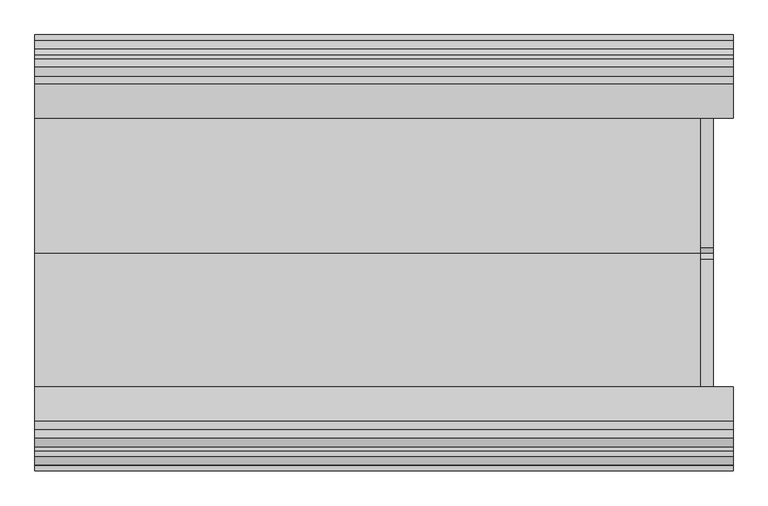
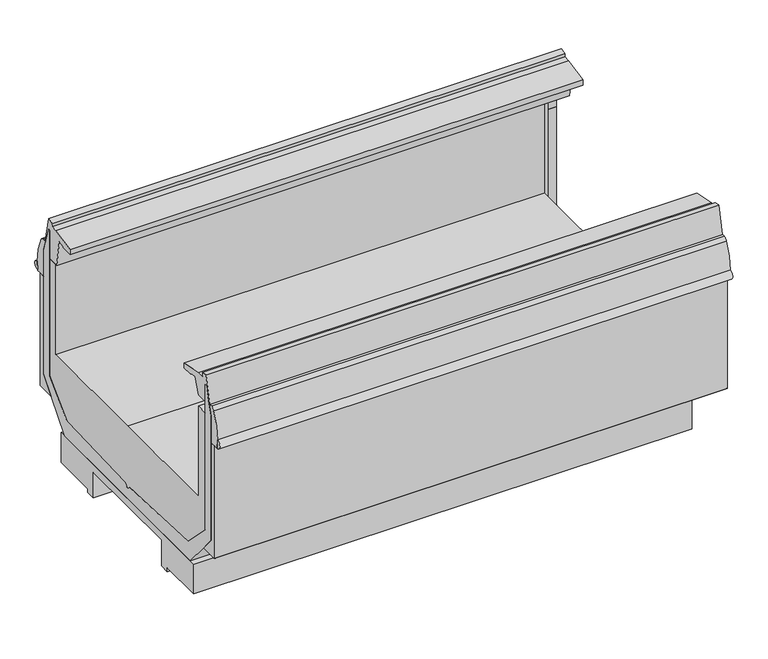
"""IFC4 building model written with IfcOpenShell, lengths in millimetres: proxy geometry."""

from ifc_helpers import new_model, si_unit, point, frame, frame_2d, origin, origin_with_axes, place, context, project, spatial, polyline, circle_curve, trimmed, segment, composite_curve, outline, extrude, source, transform, mapped, element, save
from ifc_brep_helpers import plane_surface, revolved_surface, advanced_brep


def mechanical_equipment_6be76f44(model_context):
    return source(origin(), model_context, "Body", "SolidModel", [
        extrude(outline(composite_curve([segment(trimmed(circle_curve(frame_2d((914.4, -1281.6322635)), 19.05), [point((895.35, -1281.6322635))], [point((933.45, -1281.6322635))], False, "CARTESIAN"), True, "CONTINUOUS"), segment(trimmed(circle_curve(frame_2d((914.4, -1281.6322635)), 19.05), [point((933.45, -1281.6322635))], [point((895.35, -1281.6322635))], False, "CARTESIAN"), True, "CONTINUOUS")], self_intersect=False)), origin_with_axes(), (0.0, 0.0, 1.0), 127.0),
        extrude(outline(composite_curve([segment(trimmed(circle_curve(frame_2d((1676.4, -1164.9510135)), 11.1125), [point((1665.2875, -1164.9510135))], [point((1687.5125, -1164.9510135))], False, "CARTESIAN"), True, "CONTINUOUS"), segment(trimmed(circle_curve(frame_2d((1676.4, -1164.9510135)), 11.1125), [point((1687.5125, -1164.9510135))], [point((1665.2875, -1164.9510135))], False, "CARTESIAN"), True, "CONTINUOUS")], self_intersect=False)), origin_with_axes(), (0.0, 0.0, 1.0), 127.0),
        extrude(outline(composite_curve([segment(trimmed(circle_curve(frame_2d((1651.0, -1164.9510135)), 4.7625), [point((1646.2375, -1164.9510135))], [point((1655.7625, -1164.9510135))], False, "CARTESIAN"), True, "CONTINUOUS"), segment(trimmed(circle_curve(frame_2d((1651.0, -1164.9510135)), 4.7625), [point((1655.7625, -1164.9510135))], [point((1646.2375, -1164.9510135))], False, "CARTESIAN"), True, "CONTINUOUS")], self_intersect=False)), origin_with_axes(), (0.0, 0.0, 1.0), 127.0),
        extrude(outline(polyline([(-1408.0824708, 846.9650015), (-1399.567809, 846.9650015), (-1399.567809, 298.2301562), (-1293.5698661, 190.5), (-935.3372007, 177.5337806), (-920.5071273, 163.4842373), (-905.6770539, 177.5337806), (-547.4443885, 190.5), (-441.4464456, 298.2301562), (-441.4464456, 846.9650015), (-432.9317838, 846.9650015), (-414.7836621, 789.5616491), (-403.0848407, 752.5577332), (-403.0848407, 282.2978872), (-449.8127732, 226.1000374), (-532.2134322, 127.0), (-1308.8008224, 127.0), (-1391.2014814, 226.1000374), (-1437.9294139, 282.2978872), (-1437.9294139, 752.5577332), (-1426.2305925, 789.5616491), (-1408.0824708, 846.9650015)])), frame((0.0, 0.0, 0.0), z_axis=(1.0, 0.0, 0.0), x_axis=(0.0, 1.0, 0.0)), (0.0, 0.0, 1.0), 1776.2530658),
        advanced_brep(
        [(1776.2530658, -674.1127687, 14.2875), (1776.2530658, -511.3940187, 14.2875), (1776.2530658, -511.3940187, 127.0), (1776.2530658, -1329.6202359, 127.0), (1776.2530658, -1329.6202359, 14.2875), (1776.2530658, -1166.9014859, 14.2875), (1776.2530658, -1166.9014859, 0.0), (1776.2530658, -1131.4595591, 0.0), (1776.2530658, -1131.4595591, 97.6237021), (1776.2530658, -709.5546955, 97.6237021), (1776.2530658, -709.5546955, 0.0), (1776.2530658, -674.1127687, 0.0), (0.0, -674.1127687, 14.2875), (0.0, -674.1127687, 0.0), (0.0, -709.5546955, 0.0), (0.0, -709.5546955, 97.6237021), (0.0, -1131.4595591, 97.6237021), (0.0, -1131.4595591, 0.0), (0.0, -1166.9014859, 0.0), (0.0, -1166.9014859, 14.2875), (0.0, -1329.6202359, 14.2875), (0.0, -1329.6202359, 127.0), (0.0, -511.3940187, 127.0), (0.0, -511.3940187, 14.2875), (1695.45, -1164.9821273, 127.0), (1631.95, -1164.9821273, 127.0), (939.8, -1281.6322635, 127.0), (889.0, -1281.6322635, 127.0), (103.4796338, -1271.1776769, 127.0), (287.6296338, -1271.1776769, 127.0), (287.6296338, -1312.95589, 127.0), (103.4796338, -1312.95589, 127.0), (1632.0080679, -1166.9014859, 14.2875), (1695.3919321, -1166.9014859, 14.2875), (889.0, -1281.6322635, 14.2875), (939.8, -1281.6322635, 14.2875), (287.6296338, -1271.1776769, 14.2875), (103.4796338, -1271.1776769, 14.2875), (103.4796338, -1312.95589, 14.2875), (287.6296338, -1312.95589, 14.2875), (1695.3919321, -1166.9014859, 0.0), (1632.0080679, -1166.9014859, 0.0), (1695.45, -1164.9821273, 0.0), (1631.95, -1164.9821273, 0.0)],
        [
            (0, 1),
            (1, 2),
            (2, 3),
            (3, 4),
            (4, 5),
            (5, 6),
            (6, 7),
            (7, 8),
            (8, 9),
            (9, 10),
            (10, 11),
            (11, 0),
            (12, 13),
            (13, 14),
            (14, 15),
            (15, 16),
            (16, 17),
            (17, 18),
            (18, 19),
            (19, 20),
            (20, 21),
            (21, 22),
            (22, 23),
            (23, 12),
            (0, 12),
            (23, 1),
            (22, 2),
            (21, 3),
            (24, 25, circle_curve(frame((1663.7, -1164.9821273, 127.0), z_axis=(0.0, 0.0, -1.0), x_axis=(1.0, 0.0, 0.0)), 31.75)),
            (25, 24, circle_curve(frame((1663.7, -1164.9821273, 127.0), z_axis=(0.0, 0.0, -1.0), x_axis=(1.0, 0.0, 0.0)), 31.75)),
            (26, 27, circle_curve(frame((914.4, -1281.6322635, 127.0), z_axis=(0.0, 0.0, -1.0), x_axis=(1.0, 0.0, 0.0)), 25.4)),
            (27, 26, circle_curve(frame((914.4, -1281.6322635, 127.0), z_axis=(0.0, 0.0, -1.0), x_axis=(1.0, 0.0, 0.0)), 25.4)),
            (28, 29),
            (29, 30),
            (30, 31),
            (31, 28),
            (20, 4),
            (19, 32),
            (32, 33, circle_curve(frame((1663.7, -1164.9821273, 14.2875), z_axis=(0.0, 0.0, 1.0), x_axis=(1.0, 0.0, 0.0)), 31.75)),
            (33, 5),
            (34, 35, circle_curve(frame((914.4, -1281.6322635, 14.2875), z_axis=(0.0, 0.0, 1.0), x_axis=(1.0, 0.0, 0.0)), 25.4)),
            (35, 34, circle_curve(frame((914.4, -1281.6322635, 14.2875), z_axis=(0.0, 0.0, 1.0), x_axis=(1.0, 0.0, 0.0)), 25.4)),
            (36, 37),
            (37, 38),
            (38, 39),
            (39, 36),
            (33, 40),
            (40, 6),
            (18, 41),
            (41, 32),
            (40, 42, circle_curve(frame((1663.7, -1164.9821273, 0.0), z_axis=(0.0, 0.0, 1.0), x_axis=(1.0, 0.0, 0.0)), 31.75)),
            (42, 43, circle_curve(frame((1663.7, -1164.9821273, 0.0), z_axis=(0.0, 0.0, 1.0), x_axis=(1.0, 0.0, 0.0)), 31.75)),
            (43, 41, circle_curve(frame((1663.7, -1164.9821273, 0.0), z_axis=(0.0, 0.0, 1.0), x_axis=(1.0, 0.0, 0.0)), 31.75)),
            (17, 7),
            (16, 8),
            (15, 9),
            (14, 10),
            (13, 11),
            (24, 42),
            (43, 25),
            (34, 27),
            (26, 35),
            (36, 29),
            (28, 37),
            (31, 38),
            (30, 39),
        ],
        [
            plane_surface(frame((1776.2530658, -511.3940187, 14.2875), z_axis=(1.0, 0.0, 0.0), x_axis=(0.0, 1.0, 0.0))),
            plane_surface(frame((0.0, -511.3940187, 14.2875), z_axis=(-1.0, 0.0, 0.0), x_axis=(0.0, -1.0, 0.0))),
            plane_surface(frame((1776.2530658, -674.1127687, 14.2875), z_axis=(0.0, 0.0, -1.0), x_axis=(-1.0, 0.0, 0.0))),
            plane_surface(frame((1776.2530658, -511.3940187, 14.2875), z_axis=(0.0, 1.0, 0.0), x_axis=(-1.0, 0.0, 0.0))),
            plane_surface(frame((1776.2530658, -511.3940187, 127.0), z_axis=(0.0, 0.0, 1.0), x_axis=(-1.0, 0.0, 0.0))),
            plane_surface(frame((1776.2530658, -1329.6202359, 127.0), z_axis=(0.0, -1.0, 0.0), x_axis=(-1.0, 0.0, 0.0))),
            plane_surface(frame((1776.2530658, -1329.6202359, 14.2875), z_axis=(0.0, 0.0, -1.0), x_axis=(-1.0, 0.0, 0.0))),
            plane_surface(frame((1776.2530658, -1166.9014859, 14.2875), z_axis=(0.0, -1.0, 0.0), x_axis=(-1.0, 0.0, 0.0))),
            plane_surface(frame((1776.2530658, -1166.9014859, 0.0), z_axis=(0.0, 0.0, -1.0), x_axis=(-1.0, 0.0, 0.0))),
            plane_surface(frame((1776.2530658, -1131.4595591, 0.0), z_axis=(0.0, 1.0, 0.0), x_axis=(-1.0, 0.0, 0.0))),
            plane_surface(frame((1776.2530658, -1131.4595591, 97.6237021), z_axis=(0.0, 0.0, -1.0), x_axis=(-1.0, 0.0, 0.0))),
            plane_surface(frame((1776.2530658, -709.5546955, 97.6237021), z_axis=(0.0, -1.0, 0.0), x_axis=(-1.0, 0.0, 0.0))),
            plane_surface(frame((1776.2530658, -709.5546955, 0.0), z_axis=(0.0, 0.0, -1.0), x_axis=(-1.0, 0.0, 0.0))),
            plane_surface(frame((1776.2530658, -674.1127687, 0.0), z_axis=(0.0, 1.0, 0.0), x_axis=(-1.0, 0.0, 0.0))),
            revolved_surface(polyline([(1695.45, -1164.9821273, 127.0), (1695.45, -1164.9821273, 0.0)]), (1663.7, -1164.9821273, 0.0), (0.0, 0.0, 1.0)),
            revolved_surface(polyline([(939.8, -1281.6322635, 127.0), (939.8, -1281.6322635, 14.2875)]), (914.4, -1281.6322635, 0.0), (0.0, 0.0, 1.0)),
            plane_surface(frame((287.6296338, -1271.1776769, 127.0), z_axis=(0.0, -1.0, 0.0), x_axis=(0.0, 0.0, -1.0))),
            plane_surface(frame((103.4796338, -1271.1776769, 127.0), z_axis=(1.0, 0.0, 0.0), x_axis=(0.0, 0.0, -1.0))),
            plane_surface(frame((103.4796338, -1312.95589, 127.0), z_axis=(0.0, 1.0, 0.0), x_axis=(0.0, 0.0, -1.0))),
            plane_surface(frame((287.6296338, -1312.95589, 127.0), z_axis=(-1.0, 0.0, 0.0), x_axis=(0.0, 0.0, -1.0))),
        ],
        [
            (0, [[1, 2, 3, 4, 5, 6, 7, 8, 9, 10, 11, 12]]),
            (1, [[13, 14, 15, 16, 17, 18, 19, 20, 21, 22, 23, 24]]),
            (2, [[-1, 25, -24, 26]]),
            (3, [[-2, -26, -23, 27]]),
            (4, [[-3, -27, -22, 28], [29, 30], [31, 32], [33, 34, 35, 36]]),
            (5, [[-4, -28, -21, 37]]),
            (6, [[-5, -37, -20, 38, 39, 40], [41, 42], [43, 44, 45, 46]]),
            (7, [[-6, -40, 47, 48]]),
            (7, [[-19, 49, 50, -38]]),
            (8, [[-7, -48, 51, 52, 53, -49, -18, 54]]),
            (9, [[-8, -54, -17, 55]]),
            (10, [[-9, -55, -16, 56]]),
            (11, [[-10, -56, -15, 57]]),
            (12, [[-11, -57, -14, 58]]),
            (13, [[-12, -58, -13, -25]]),
            (14, [[59, -51, -47, -39, -50, -53, 60, -29]]),
            (14, [[-59, -30, -60, -52]]),
            (15, [[61, -31, 62, -41]]),
            (15, [[-61, -42, -62, -32]]),
            (16, [[63, -33, 64, -43]]),
            (17, [[-64, -36, 65, -44]]),
            (18, [[-65, -35, 66, -45]]),
            (19, [[-63, -46, -66, -34]]),
        ],
    ),
        extrude(outline(composite_curve([segment(trimmed(circle_curve(frame_2d((-1475.2128764, 668.6836472)), 16.385947), [point((-1474.9354385, 652.3000491))], [point((-1476.5812122, 685.0123617))], False, "CARTESIAN"), True, "CONTINUOUS"), segment(polyline([(-1476.5812122, 685.0123617), (-1474.9354385, 652.3000491)]), True, "CONTINUOUS")], self_intersect=False)), frame((0.0, 0.0, 0.0), z_axis=(1.0, 0.0, 0.0), x_axis=(0.0, 1.0, 0.0)), (0.0, 0.0, 1.0), 1828.8),
        extrude(outline(composite_curve([segment(trimmed(circle_curve(frame_2d((-364.6624647, 668.6836472)), 16.385947), [point((-363.2941289, 685.0123617))], [point((-364.9399026, 652.3000491))], False, "CARTESIAN"), True, "CONTINUOUS"), segment(polyline([(-364.9399026, 652.3000491), (-363.2941289, 685.0123617)]), True, "CONTINUOUS")], self_intersect=False)), frame((0.0, 0.0, 0.0), z_axis=(1.0, 0.0, 0.0), x_axis=(0.0, 1.0, 0.0)), (0.0, 0.0, 1.0), 1828.8),
        extrude(outline(polyline([(-1359.0465206, 400.4769946), (-920.5071273, 400.4769946), (-477.6538206, 400.4769946), (-477.6538206, 740.5783627), (-441.4253902, 740.5783627), (-441.4253902, 298.2301562), (-547.4443885, 190.5), (-905.6770539, 177.5337806), (-920.5071273, 163.4842373), (-935.3372007, 177.5337806), (-1293.5698661, 190.5), (-1399.5888644, 298.2301562), (-1399.5888644, 740.5783627), (-1359.0465206, 740.5783627), (-1359.0465206, 400.4769946)])), frame((0.0, 0.0, 0.0), z_axis=(1.0, 0.0, 0.0), x_axis=(0.0, 1.0, 0.0)), (0.0, 0.0, 1.0), 1742.1241488),
        extrude(outline(polyline([(-433.0243559, 887.4125), (-411.4627088, 789.657109), (-414.8047174, 789.657109), (-432.9317838, 846.9650015), (-441.4464456, 846.9650015), (-441.4464456, 740.6738226), (-477.6538206, 740.6738226), (-483.7018711, 739.7468283), (-499.0945099, 840.1740491), (-524.2013151, 836.3258894), (-523.6195703, 832.5303734), (-565.5226642, 830.5906971), (-565.9959079, 850.4904961), (-476.7745606, 868.6687252), (-454.3862445, 868.9264651), (-456.423295, 882.2514581), (-433.0243559, 887.4125)])), frame((0.0, 0.0, 0.0), z_axis=(1.0, 0.0, 0.0), x_axis=(0.0, 1.0, 0.0)), (0.0, 0.0, 1.0), 1828.8),
        extrude(outline(polyline([(-1270.7170124, 850.4904961), (-1271.190256, 830.5906971), (-1311.2730514, 832.3547995), (-1312.9684692, 834.2711206), (-1312.9233076, 836.5465811), (-1337.2067079, 839.7624376), (-1359.0465206, 783.4062069), (-1399.5803882, 783.4062069), (-1399.5803882, 846.9650015), (-1408.0824708, 846.9650015), (-1426.2305925, 789.5616491), (-1428.4336876, 789.5616491), (-1406.7588576, 887.830185), (-1383.4262575, 882.5024341), (-1385.4960978, 868.9629523), (-1359.9383596, 868.6687252), (-1270.7170124, 850.4904961)])), frame((0.0, 0.0, 0.0), z_axis=(1.0, 0.0, 0.0), x_axis=(0.0, 1.0, 0.0)), (0.0, 0.0, 1.0), 1828.8),
        extrude(outline(composite_curve([segment(polyline([(-1459.4414385, 650.7252491), (-1473.3606385, 650.7252491), (-1474.9354385, 652.3000491), (-1476.5812122, 685.0123617)]), True, "CONTINUOUS"), segment(trimmed(circle_curve(frame_2d((-1222.8280036, 673.8182058)), 254.0), [point((-1476.5812122, 685.0123617))], [point((-1453.4101777, 780.3445453))], False, "CARTESIAN"), True, "CONTINUOUS"), segment(trimmed(circle_curve(frame_2d((-1438.9987918, 773.6866491)), 15.875), [point((-1453.4101777, 780.3445453))], [point((-1438.9987918, 789.5616491))], False, "CARTESIAN"), True, "CONTINUOUS"), segment(polyline([(-1438.9987918, 789.5616491), (-1426.2305925, 789.5616491), (-1437.9162448, 752.5993877), (-1437.9294139, 650.7252491), (-1459.4414385, 650.7252491)]), True, "CONTINUOUS")], self_intersect=False)), frame((0.0, 0.0, 0.0), z_axis=(1.0, 0.0, 0.0), x_axis=(0.0, 1.0, 0.0)), (0.0, 0.0, 1.0), 1828.8),
        extrude(outline(composite_curve([segment(polyline([(-380.4470717, 650.7252491), (-403.0980098, 650.7252491), (-403.0980098, 752.5993877), (-414.7836621, 789.5616491), (-400.8765493, 789.5616491)]), True, "CONTINUOUS"), segment(trimmed(circle_curve(frame_2d((-400.8765493, 773.6866491)), 15.875), [point((-400.8765493, 789.5616491))], [point((-386.4651634, 780.3445453))], False, "CARTESIAN"), True, "CONTINUOUS"), segment(trimmed(circle_curve(frame_2d((-617.0473375, 673.8182058)), 254.0), [point((-386.4651634, 780.3445453))], [point((-363.2941289, 685.0123617))], False, "CARTESIAN"), True, "CONTINUOUS"), segment(polyline([(-363.2941289, 685.0123617), (-364.9530717, 652.3000491), (-366.5278717, 650.7252491), (-380.4470717, 650.7252491)]), True, "CONTINUOUS")], self_intersect=False)), frame((0.0, 0.0, 0.0), z_axis=(1.0, 0.0, 0.0), x_axis=(0.0, 1.0, 0.0)), (0.0, 0.0, 1.0), 1828.8),
        extrude(outline(composite_curve([segment(polyline([(-1437.9294139, 282.2978872), (-1391.2014814, 226.1000374), (-1457.0601885, 226.1000374)]), True, "CONTINUOUS"), segment(trimmed(circle_curve(frame_2d((-1457.0601885, 228.4812874)), 2.38125), [point((-1457.0601885, 226.1000374))], [point((-1459.4414385, 228.4812874))], False, "CARTESIAN"), True, "CONTINUOUS"), segment(polyline([(-1459.4414385, 228.4812874), (-1459.4414385, 650.7252491), (-1437.9294139, 650.7252491), (-1437.9294139, 282.2978872)]), True, "CONTINUOUS")], self_intersect=False)), frame((0.0, 0.0, 0.0), z_axis=(1.0, 0.0, 0.0), x_axis=(0.0, 1.0, 0.0)), (0.0, 0.0, 1.0), 1828.8),
        extrude(outline(composite_curve([segment(polyline([(-403.0848407, 282.2978872), (-403.0848407, 650.7252491), (-380.4339026, 650.7252491), (-380.4339026, 228.4812874)]), True, "CONTINUOUS"), segment(trimmed(circle_curve(frame_2d((-382.8151526, 228.4812874)), 2.38125), [point((-380.4339026, 228.4812874))], [point((-382.8151526, 226.1000374))], False, "CARTESIAN"), True, "CONTINUOUS"), segment(polyline([(-382.8151526, 226.1000374), (-449.8127732, 226.1000374), (-403.0848407, 282.2978872)]), True, "CONTINUOUS")], self_intersect=False)), frame((0.0, 0.0, 0.0), z_axis=(1.0, 0.0, 0.0), x_axis=(0.0, 1.0, 0.0)), (0.0, 0.0, 1.0), 1828.8),
    ])


if __name__ == "__main__":
    model = new_model("IFC4")
    model_context = context("Model", 3, world=origin())
    ifc_project = project(units=[si_unit("LENGTHUNIT", "METRE", prefix="MILLI")], contexts=[model_context])
    site = spatial("IfcSite", under=ifc_project)
    building = spatial("IfcBuilding", under=site)
    placement = place(None, origin())
    mechanical_equipment_shape = mechanical_equipment_6be76f44(model_context)
    element("IfcBuildingElementProxy", 1, Name="Mechanical Equipment", at=placement, inside=building, context=model_context, shape_type="MappedRepresentation", body=[
        mapped(mechanical_equipment_shape, transform((0.0, 0.0, 0.0), x_axis=(1.0, 0.0, 0.0), y_axis=(0.0, 1.0, 0.0), z_axis=(0.0, 0.0, 1.0))),
    ])
    save(model, "model.ifc")
